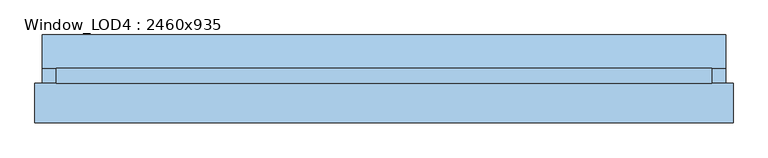
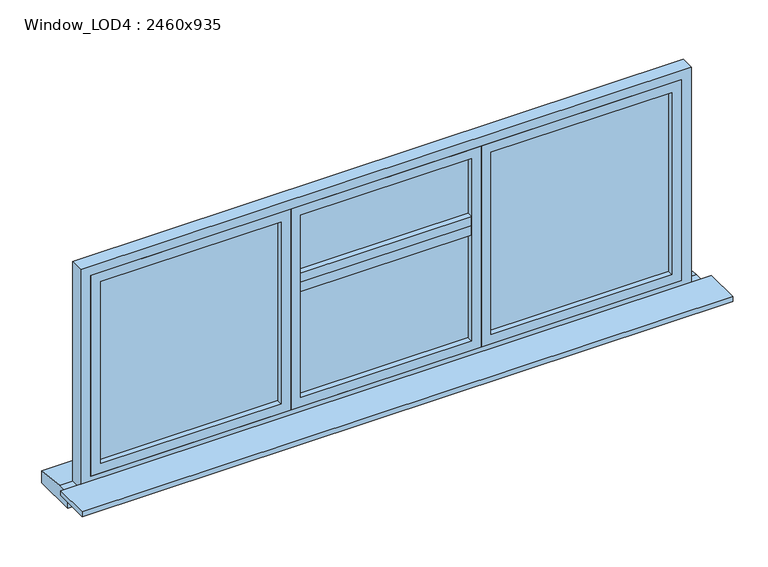
"""IFC4 building model written with IfcOpenShell, lengths in millimetres: window geometry, Window_LOD4 : 2460x935."""

from ifc_helpers import new_model, si_unit, frame, origin, place, context, project, spatial, polyline, outline, extrude, source, transform, mapped, element, save


def window_lod4_2460x935_b2f047c3(model_context):
    return source(origin(), model_context, "Body", "SweptSolid", [
        extrude(outline(polyline([(343.3333498, 7.5), (-343.3333498, 7.5), (-343.3333498, 62.5), (343.3333498, 62.5), (343.3333498, 7.5)])), frame((0.0, 0.0, 1370.0), z_axis=(0.0, 0.0, 1.0), x_axis=(1.0, 0.0, 0.0)), (0.0, 0.0, 1.0), 40.0),
        extrude(outline(polyline([(343.3333498, 7.5), (-343.3333498, 7.5), (-343.3333498, 62.5), (343.3333498, 62.5), (343.3333498, 7.5)])), frame((0.0, 0.0, 1330.0), z_axis=(0.0, 0.0, 1.0), x_axis=(1.0, 0.0, 0.0)), (0.0, 0.0, 1.0), 40.0),
        extrude(outline(polyline([(1150.0000493, 30.0), (423.3333498, 30.0), (423.3333498, 40.0), (1150.0000493, 40.0), (1150.0000493, 30.0)])), frame((0.0, 0.0, 880.0), z_axis=(0.0, 0.0, 1.0), x_axis=(1.0, 0.0, 0.0)), (0.0, 0.0, 1.0), 775.0000374),
        extrude(outline(polyline([(343.3333498, 30.0), (-343.3333498, 30.0), (-343.3333498, 40.0), (343.3333498, 40.0), (343.3333498, 30.0)])), frame((0.0, 0.0, 880.0), z_axis=(0.0, 0.0, 1.0), x_axis=(1.0, 0.0, 0.0)), (0.0, 0.0, 1.0), 775.0000374),
        extrude(outline(polyline([(1695.0000374, 383.3333498), (840.0, 383.3333498), (840.0, 1190.0000493), (1695.0000374, 1190.0000493), (1695.0000374, 383.3333498)]), holes=[polyline([(1655.0000374, 423.3333498), (1655.0000374, 1150.0000493), (880.0, 1150.0000493), (880.0, 423.3333498), (1655.0000374, 423.3333498)])]), frame((0.0, 7.5, 0.0), z_axis=(0.0, 1.0, 0.0), x_axis=(0.0, 0.0, 1.0)), (0.0, 0.0, 1.0), 55.0),
        extrude(outline(polyline([(1695.0000374, -383.3333498), (840.0, -383.3333498), (840.0, 383.3333498), (1695.0000374, 383.3333498), (1695.0000374, -383.3333498)]), holes=[polyline([(1655.0000374, -343.3333498), (1655.0000374, 343.3333498), (880.0, 343.3333498), (880.0, -343.3333498), (1655.0000374, -343.3333498)])]), frame((0.0, 7.5, 0.0), z_axis=(0.0, 1.0, 0.0), x_axis=(0.0, 0.0, 1.0)), (0.0, 0.0, 1.0), 55.0),
        extrude(outline(polyline([(-423.3333498, 30.0), (-1150.0000493, 30.0), (-1150.0000493, 40.0), (-423.3333498, 40.0), (-423.3333498, 30.0)])), frame((0.0, 0.0, 880.0), z_axis=(0.0, 0.0, 1.0), x_axis=(1.0, 0.0, 0.0)), (0.0, 0.0, 1.0), 775.0000374),
        extrude(outline(polyline([(1695.0000374, -1190.0000493), (840.0, -1190.0000493), (840.0, -383.3333498), (1695.0000374, -383.3333498), (1695.0000374, -1190.0000493)]), holes=[polyline([(1655.0000374, -1150.0000493), (1655.0000374, -423.3333498), (880.0, -423.3333498), (880.0, -1150.0000493), (1655.0000374, -1150.0000493)])]), frame((0.0, 7.5, 0.0), z_axis=(0.0, 1.0, 0.0), x_axis=(0.0, 0.0, 1.0)), (0.0, 0.0, 1.0), 55.0),
        extrude(outline(polyline([(62.5, 800.0), (188.0818432, 785.0), (188.0818432, 735.0), (7.5, 735.0), (7.5, 800.0), (62.5, 800.0)])), frame((-1281.6825469, 0.0, 0.0), z_axis=(1.0, 0.0, 0.0), x_axis=(0.0, 1.0, 0.0)), (0.0, 0.0, 1.0), 2563.3650937),
        extrude(outline(polyline([(1735.0000374, -1230.0000493), (800.0, -1230.0000493), (800.0, 1230.0000493), (1735.0000374, 1230.0000493), (1735.0000374, -1230.0000493)]), holes=[polyline([(1695.0000374, -1190.0000493), (1695.0000374, 1190.0000493), (840.0, 1190.0000493), (840.0, -1190.0000493), (1695.0000374, -1190.0000493)])]), frame((0.0, 7.5, 0.0), z_axis=(0.0, 1.0, 0.0), x_axis=(0.0, 0.0, 1.0)), (0.0, 0.0, 1.0), 55.0),
        extrude(outline(polyline([(1310.0000493, 7.5), (1310.0000493, -141.2073268), (-1310.0000493, -141.2073268), (-1310.0000493, 7.5), (1310.0000493, 7.5)])), frame((0.0, 0.0, 800.0), z_axis=(0.0, 0.0, 1.0), x_axis=(1.0, 0.0, 0.0)), (0.0, 0.0, 1.0), 20.0),
    ])


if __name__ == "__main__":
    model = new_model("IFC4")
    model_context = context("Model", 3, world=origin())
    ifc_project = project(units=[si_unit("LENGTHUNIT", "METRE", prefix="MILLI")], contexts=[model_context])
    site = spatial("IfcSite", under=ifc_project)
    building = spatial("IfcBuilding", under=site)
    placement = place(None, origin())
    window_lod4_2460x935_shape = window_lod4_2460x935_b2f047c3(model_context)
    element("IfcWindow", 1, ObjectType="Window_LOD4 : 2460x935", at=placement, inside=building, context=model_context, shape_type="MappedRepresentation", body=[
        mapped(window_lod4_2460x935_shape, transform((0.0, 0.0, 0.0), x_axis=(1.0, 0.0, 0.0), y_axis=(0.0, 1.0, 0.0), z_axis=(0.0, 0.0, 1.0))),
    ])
    save(model, "model.ifc")
